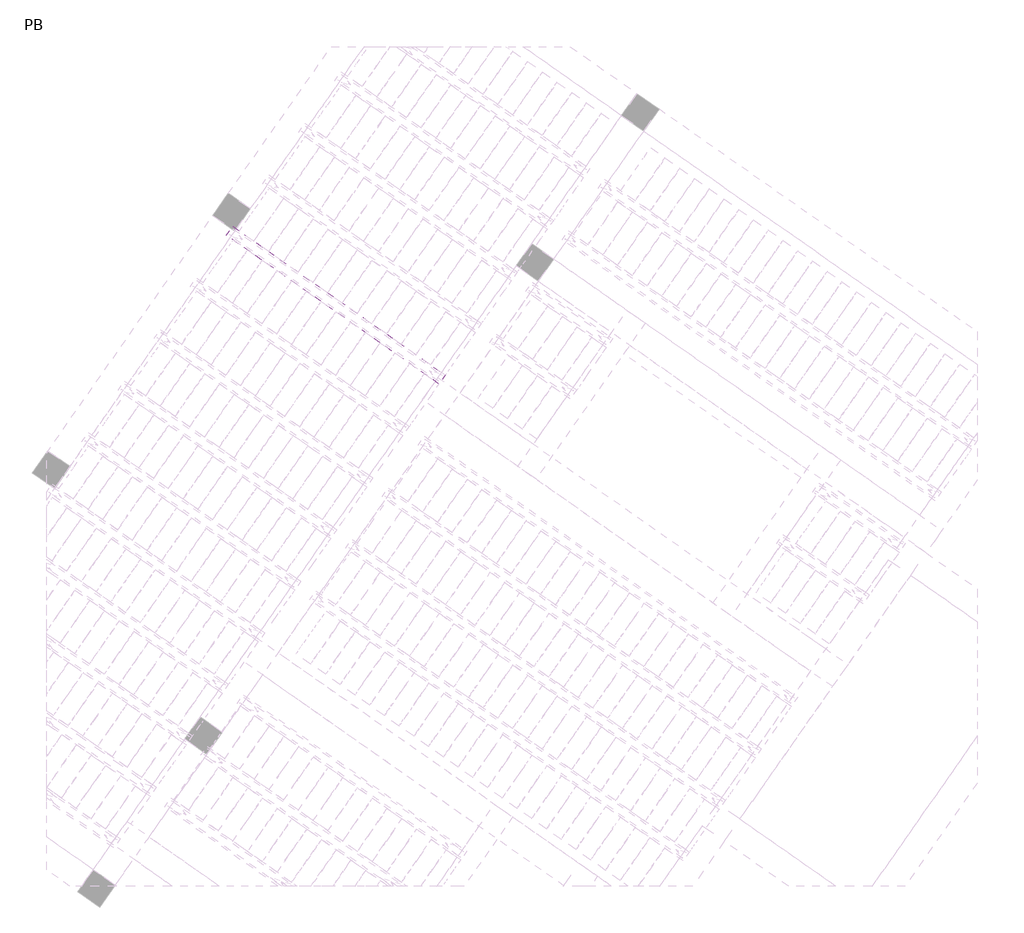
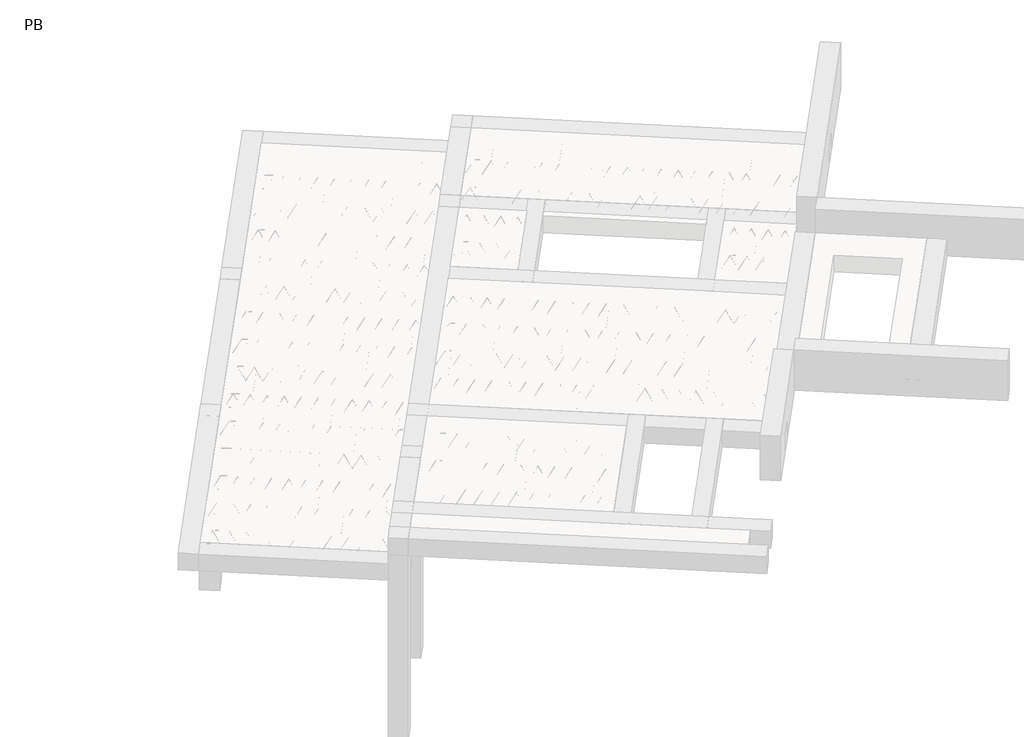
# One storey, part 36 of 56: 2 beams.
"""IFC4 building model written with IfcOpenShell, lengths in millimetres."""

from ifc_helpers import new_model, si_unit, point, frame, origin, origin_2d, place, context, project, spatial, polyline, circle_curve, trimmed, segment, composite_curve, outline, extrude, element, save

model = new_model("IFC4")

# Units and contexts
model_context = context("Model", 3, world=origin())
ifc_project = project(units=[si_unit("LENGTHUNIT", "METRE", prefix="MILLI")], contexts=[model_context])

# Site, building, storey
site = spatial("IfcSite", under=ifc_project)
building = spatial("IfcBuilding", under=site)
storey = spatial("IfcBuildingStorey", under=building, Name="PB", Elevation=95940.0)

# Beams
placement = place(None, origin())
element("IfcBeam", 1, at=placement, inside=storey, context=model_context, shape_type="SweptSolid", body=[
    extrude(outline(polyline([(2399.1140017, 7830.3008427), (2467.9431741, 7928.599088), (4830.7561156, 6274.1396549), (4761.9269432, 6175.8414096), (2399.1140017, 7830.3008427)])), frame((0.0, 0.0, 98760.0), z_axis=(0.0, 0.0, 1.0), x_axis=(1.0, 0.0, 0.0)), (0.0, 0.0, 1.0), 50.0),
    extrude(outline(composite_curve([segment(trimmed(circle_curve(origin_2d(), 2.5), [point((-2.5, 0.0))], [point((2.5, 0.0))], False, "CARTESIAN"), True, "CONTINUOUS"), segment(trimmed(circle_curve(origin_2d(), 2.5), [point((2.5, 0.0))], [point((-2.5, 0.0))], False, "CARTESIAN"), True, "CONTINUOUS")], self_intersect=False)), frame((4756.0331286, 6209.2668931, 98785.0), z_axis=(-0.8191520442696126, 0.5735764363787226, 0.0), x_axis=(0.5735764363787226, 0.8191520442696126, 0.0)), (0.0, 0.0, 1.0), 2836.461997),
    extrude(outline(composite_curve([segment(trimmed(circle_curve(origin_2d(), 2.5), [point((-2.5, 0.0))], [point((2.5000001, 0.0))], False, "CARTESIAN"), True, "CONTINUOUS"), segment(trimmed(circle_curve(origin_2d(), 2.5), [point((2.5000001, 0.0))], [point((-2.5, 0.0))], False, "CARTESIAN"), True, "CONTINUOUS")], self_intersect=False)), frame((4679.8327161, 6306.5708815, 99010.0), z_axis=(-0.8191520442696126, 0.5735764363787226, 0.0), x_axis=(0.5735764363787226, 0.8191520442696126, 0.0)), (0.0, 0.0, 1.0), 2600.0),
    extrude(outline(composite_curve([segment(trimmed(circle_curve(origin_2d(), 2.5), [point((-2.5, 0.0))], [point((2.5, 1e-07))], False, "CARTESIAN"), True, "CONTINUOUS"), segment(trimmed(circle_curve(origin_2d(), 2.5), [point((2.5, 1e-07))], [point((-2.5, 0.0))], False, "CARTESIAN"), True, "CONTINUOUS")], self_intersect=False)), frame((4720.6203677, 6234.0631752, 98785.0), z_axis=(-0.3145304735701046, 0.38933448886848654, 0.8657304643902053), x_axis=(0.7778747638402499, 0.6284193279813057, 0.0)), (0.0, 0.0, 1.0), 259.8961331),
    extrude(outline(composite_curve([segment(trimmed(circle_curve(origin_2d(), 2.5), [point((2.5, -1e-07))], [point((-2.5, 0.0))], False, "CARTESIAN"), True, "CONTINUOUS"), segment(trimmed(circle_curve(origin_2d(), 2.5), [point((-2.5, 0.0))], [point((2.5, -1e-07))], False, "CARTESIAN"), True, "CONTINUOUS")], self_intersect=False)), frame((4515.8323567, 6377.4572843, 98785.0), z_axis=(0.47343050384693375, -0.16240172737369005, 0.8657304643902051), x_axis=(-0.3244721671091268, -0.9458952440791246, 0.0)), (0.0, 0.0, 1.0), 259.8961331),
    extrude(outline(composite_curve([segment(trimmed(circle_curve(origin_2d(), 2.5), [point((-2.5000001, 1e-07))], [point((2.5, 0.0))], False, "CARTESIAN"), True, "CONTINUOUS"), segment(trimmed(circle_curve(origin_2d(), 2.5), [point((2.5, 0.0))], [point((-2.5000001, 1e-07))], False, "CARTESIAN"), True, "CONTINUOUS")], self_intersect=False)), frame((4515.8323567, 6377.4572843, 98785.0), z_axis=(-0.3145304735701046, 0.38933448886848654, 0.8657304643902053), x_axis=(0.7778747638402499, 0.6284193279813057, 0.0)), (0.0, 0.0, 1.0), 259.8961331),
    extrude(outline(composite_curve([segment(trimmed(circle_curve(origin_2d(), 2.5), [point((2.5, 0.0))], [point((-2.5, 0.0))], False, "CARTESIAN"), True, "CONTINUOUS"), segment(trimmed(circle_curve(origin_2d(), 2.5), [point((-2.5, 0.0))], [point((2.5, 0.0))], False, "CARTESIAN"), True, "CONTINUOUS")], self_intersect=False)), frame((4311.0443456, 6520.8513934, 98785.0), z_axis=(0.47343050384693375, -0.16240172737369005, 0.8657304643902051), x_axis=(-0.3244721671091268, -0.9458952440791246, 0.0)), (0.0, 0.0, 1.0), 259.8961331),
    extrude(outline(composite_curve([segment(trimmed(circle_curve(origin_2d(), 2.5), [point((-2.5, 0.0))], [point((2.5, 0.0))], False, "CARTESIAN"), True, "CONTINUOUS"), segment(trimmed(circle_curve(origin_2d(), 2.5), [point((2.5, 0.0))], [point((-2.5, 0.0))], False, "CARTESIAN"), True, "CONTINUOUS")], self_intersect=False)), frame((4311.0443456, 6520.8513934, 98785.0), z_axis=(-0.3145304735701046, 0.38933448886848654, 0.8657304643902053), x_axis=(0.7778747638402499, 0.6284193279813057, 0.0)), (0.0, 0.0, 1.0), 259.8961331),
    extrude(outline(composite_curve([segment(trimmed(circle_curve(origin_2d(), 2.5), [point((2.5, 0.0))], [point((-2.5, 0.0))], False, "CARTESIAN"), True, "CONTINUOUS"), segment(trimmed(circle_curve(origin_2d(), 2.5), [point((-2.5, 0.0))], [point((2.5, 0.0))], False, "CARTESIAN"), True, "CONTINUOUS")], self_intersect=False)), frame((4106.2563345, 6664.2455025, 98785.0), z_axis=(0.47343050384693375, -0.16240172737369005, 0.8657304643902051), x_axis=(-0.3244721671091268, -0.9458952440791246, 0.0)), (0.0, 0.0, 1.0), 259.8961331),
    extrude(outline(composite_curve([segment(trimmed(circle_curve(origin_2d(), 2.5), [point((-2.5, 0.0))], [point((2.5, 0.0))], False, "CARTESIAN"), True, "CONTINUOUS"), segment(trimmed(circle_curve(origin_2d(), 2.5), [point((2.5, 0.0))], [point((-2.5, 0.0))], False, "CARTESIAN"), True, "CONTINUOUS")], self_intersect=False)), frame((4106.2563345, 6664.2455025, 98785.0), z_axis=(-0.3145304735701046, 0.38933448886848654, 0.8657304643902053), x_axis=(0.7778747638402499, 0.6284193279813057, 0.0)), (0.0, 0.0, 1.0), 259.8961331),
    extrude(outline(composite_curve([segment(trimmed(circle_curve(origin_2d(), 2.5), [point((2.5, -1e-07))], [point((-2.5, 0.0))], False, "CARTESIAN"), True, "CONTINUOUS"), segment(trimmed(circle_curve(origin_2d(), 2.5), [point((-2.5, 0.0))], [point((2.5, -1e-07))], False, "CARTESIAN"), True, "CONTINUOUS")], self_intersect=False)), frame((3901.4683235, 6807.6396116, 98785.0), z_axis=(0.47343050384693375, -0.16240172737369005, 0.8657304643902051), x_axis=(-0.3244721671091268, -0.9458952440791246, 0.0)), (0.0, 0.0, 1.0), 259.8961331),
    extrude(outline(composite_curve([segment(trimmed(circle_curve(origin_2d(), 2.5), [point((-2.5, 0.0))], [point((2.5, 0.0))], False, "CARTESIAN"), True, "CONTINUOUS"), segment(trimmed(circle_curve(origin_2d(), 2.5), [point((2.5, 0.0))], [point((-2.5, 0.0))], False, "CARTESIAN"), True, "CONTINUOUS")], self_intersect=False)), frame((3901.4683231, 6807.6396118, 98785.0), z_axis=(-0.3145304735701046, 0.38933448886848654, 0.8657304643902053), x_axis=(0.7778747638402499, 0.6284193279813057, 0.0)), (0.0, 0.0, 1.0), 259.8961331),
    extrude(outline(composite_curve([segment(trimmed(circle_curve(origin_2d(), 2.5), [point((2.5, -1e-07))], [point((-2.5, 0.0))], False, "CARTESIAN"), True, "CONTINUOUS"), segment(trimmed(circle_curve(origin_2d(), 2.5), [point((-2.5, 0.0))], [point((2.5, -1e-07))], False, "CARTESIAN"), True, "CONTINUOUS")], self_intersect=False)), frame((3696.6803121, 6951.0337209, 98785.0), z_axis=(0.47343050384693375, -0.16240172737369005, 0.8657304643902051), x_axis=(-0.3244721671091268, -0.9458952440791246, 0.0)), (0.0, 0.0, 1.0), 259.8961331),
    extrude(outline(composite_curve([segment(trimmed(circle_curve(origin_2d(), 2.5), [point((-2.5000001, 1e-07))], [point((2.5, 0.0))], False, "CARTESIAN"), True, "CONTINUOUS"), segment(trimmed(circle_curve(origin_2d(), 2.5), [point((2.5, 0.0))], [point((-2.5000001, 1e-07))], False, "CARTESIAN"), True, "CONTINUOUS")], self_intersect=False)), frame((3696.6803121, 6951.0337209, 98785.0), z_axis=(-0.3145304735701046, 0.38933448886848654, 0.8657304643902053), x_axis=(0.7778747638402499, 0.6284193279813057, 0.0)), (0.0, 0.0, 1.0), 259.8961331),
    extrude(outline(composite_curve([segment(trimmed(circle_curve(origin_2d(), 2.5), [point((2.5, 0.0))], [point((-2.5, 0.0))], False, "CARTESIAN"), True, "CONTINUOUS"), segment(trimmed(circle_curve(origin_2d(), 2.5), [point((-2.5, 0.0))], [point((2.5, 0.0))], False, "CARTESIAN"), True, "CONTINUOUS")], self_intersect=False)), frame((3491.892301, 7094.42783, 98785.0), z_axis=(0.47343050384693375, -0.16240172737369005, 0.8657304643902051), x_axis=(-0.3244721671091268, -0.9458952440791246, 0.0)), (0.0, 0.0, 1.0), 259.8961331),
    extrude(outline(composite_curve([segment(trimmed(circle_curve(origin_2d(), 2.5), [point((-2.5, 0.0))], [point((2.5, 0.0))], False, "CARTESIAN"), True, "CONTINUOUS"), segment(trimmed(circle_curve(origin_2d(), 2.5), [point((2.5, 0.0))], [point((-2.5, 0.0))], False, "CARTESIAN"), True, "CONTINUOUS")], self_intersect=False)), frame((3491.892301, 7094.42783, 98785.0), z_axis=(-0.3145304735701046, 0.38933448886848654, 0.8657304643902053), x_axis=(0.7778747638402499, 0.6284193279813057, 0.0)), (0.0, 0.0, 1.0), 259.8961331),
    extrude(outline(composite_curve([segment(trimmed(circle_curve(origin_2d(), 2.5), [point((2.5, 0.0))], [point((-2.5, 0.0))], False, "CARTESIAN"), True, "CONTINUOUS"), segment(trimmed(circle_curve(origin_2d(), 2.5), [point((-2.5, 0.0))], [point((2.5, 0.0))], False, "CARTESIAN"), True, "CONTINUOUS")], self_intersect=False)), frame((3287.1042899, 7237.8219391, 98785.0), z_axis=(0.47343050384693375, -0.16240172737369005, 0.8657304643902051), x_axis=(-0.3244721671091268, -0.9458952440791246, 0.0)), (0.0, 0.0, 1.0), 259.8961331),
    extrude(outline(composite_curve([segment(trimmed(circle_curve(origin_2d(), 2.5), [point((-2.5, 0.0))], [point((2.5, 0.0))], False, "CARTESIAN"), True, "CONTINUOUS"), segment(trimmed(circle_curve(origin_2d(), 2.5), [point((2.5, 0.0))], [point((-2.5, 0.0))], False, "CARTESIAN"), True, "CONTINUOUS")], self_intersect=False)), frame((3287.1042899, 7237.8219391, 98785.0), z_axis=(-0.3145304735701046, 0.38933448886848654, 0.8657304643902053), x_axis=(0.7778747638402499, 0.6284193279813057, 0.0)), (0.0, 0.0, 1.0), 259.8961331),
    extrude(outline(composite_curve([segment(trimmed(circle_curve(origin_2d(), 2.5), [point((2.5, -1e-07))], [point((-2.5, 0.0))], False, "CARTESIAN"), True, "CONTINUOUS"), segment(trimmed(circle_curve(origin_2d(), 2.5), [point((-2.5, 0.0))], [point((2.5, -1e-07))], False, "CARTESIAN"), True, "CONTINUOUS")], self_intersect=False)), frame((3082.3162789, 7381.2160482, 98785.0), z_axis=(0.47343050384693375, -0.16240172737369005, 0.8657304643902051), x_axis=(-0.3244721671091268, -0.9458952440791246, 0.0)), (0.0, 0.0, 1.0), 259.8961331),
    extrude(outline(composite_curve([segment(trimmed(circle_curve(origin_2d(), 2.5), [point((-2.5000001, 1e-07))], [point((2.5, 0.0))], False, "CARTESIAN"), True, "CONTINUOUS"), segment(trimmed(circle_curve(origin_2d(), 2.5), [point((2.5, 0.0))], [point((-2.5000001, 1e-07))], False, "CARTESIAN"), True, "CONTINUOUS")], self_intersect=False)), frame((3082.3162789, 7381.2160482, 98785.0), z_axis=(-0.3145304735701046, 0.38933448886848654, 0.8657304643902053), x_axis=(0.7778747638402499, 0.6284193279813057, 0.0)), (0.0, 0.0, 1.0), 259.8961331),
    extrude(outline(composite_curve([segment(trimmed(circle_curve(origin_2d(), 2.5), [point((2.5, 0.0))], [point((-2.5, 0.0))], False, "CARTESIAN"), True, "CONTINUOUS"), segment(trimmed(circle_curve(origin_2d(), 2.5), [point((-2.5, 0.0))], [point((2.5, 0.0))], False, "CARTESIAN"), True, "CONTINUOUS")], self_intersect=False)), frame((2877.5282678, 7524.6101573, 98785.0), z_axis=(0.47343050384693375, -0.16240172737369005, 0.8657304643902051), x_axis=(-0.3244721671091268, -0.9458952440791246, 0.0)), (0.0, 0.0, 1.0), 259.8961331),
    extrude(outline(composite_curve([segment(trimmed(circle_curve(origin_2d(), 2.5), [point((-2.5, 0.0))], [point((2.5, 0.0))], False, "CARTESIAN"), True, "CONTINUOUS"), segment(trimmed(circle_curve(origin_2d(), 2.5), [point((2.5, 0.0))], [point((-2.5, 0.0))], False, "CARTESIAN"), True, "CONTINUOUS")], self_intersect=False)), frame((2877.5282678, 7524.6101573, 98785.0), z_axis=(-0.3145304735701046, 0.38933448886848654, 0.8657304643902053), x_axis=(0.7778747638402499, 0.6284193279813057, 0.0)), (0.0, 0.0, 1.0), 259.8961331),
    extrude(outline(composite_curve([segment(trimmed(circle_curve(origin_2d(), 2.5), [point((2.5, 0.0))], [point((-2.5, 0.0))], False, "CARTESIAN"), True, "CONTINUOUS"), segment(trimmed(circle_curve(origin_2d(), 2.5), [point((-2.5, 0.0))], [point((2.5, 0.0))], False, "CARTESIAN"), True, "CONTINUOUS")], self_intersect=False)), frame((2672.7402567, 7668.0042664, 98785.0), z_axis=(0.47343050384693375, -0.16240172737369005, 0.8657304643902051), x_axis=(-0.3244721671091268, -0.9458952440791246, 0.0)), (0.0, 0.0, 1.0), 259.8961331),
    extrude(outline(composite_curve([segment(trimmed(circle_curve(origin_2d(), 2.5), [point((-2.5, 0.0))], [point((2.5, 0.0))], False, "CARTESIAN"), True, "CONTINUOUS"), segment(trimmed(circle_curve(origin_2d(), 2.5), [point((2.5, 0.0))], [point((-2.5, 0.0))], False, "CARTESIAN"), True, "CONTINUOUS")], self_intersect=False)), frame((2672.7402567, 7668.0042664, 98785.0), z_axis=(-0.3145304735701046, 0.38933448886848654, 0.8657304643902053), x_axis=(0.7778747638402499, 0.6284193279813057, 0.0)), (0.0, 0.0, 1.0), 259.8961331),
    extrude(outline(composite_curve([segment(trimmed(circle_curve(origin_2d(), 2.5), [point((2.5, -1e-07))], [point((-2.5, 0.0))], False, "CARTESIAN"), True, "CONTINUOUS"), segment(trimmed(circle_curve(origin_2d(), 2.5), [point((-2.5, 0.0))], [point((2.5, -1e-07))], False, "CARTESIAN"), True, "CONTINUOUS")], self_intersect=False)), frame((2467.9522457, 7811.3983755, 98785.0), z_axis=(0.47343050384693375, -0.16240172737369005, 0.8657304643902051), x_axis=(-0.3244721671091268, -0.9458952440791246, 0.0)), (0.0, 0.0, 1.0), 259.8961331),
    extrude(outline(composite_curve([segment(trimmed(circle_curve(origin_2d(), 2.5), [point((-2.5, 0.0))], [point((2.5, 0.0))], False, "CARTESIAN"), True, "CONTINUOUS"), segment(trimmed(circle_curve(origin_2d(), 2.5), [point((2.5, 0.0))], [point((-2.5, 0.0))], False, "CARTESIAN"), True, "CONTINUOUS")], self_intersect=False)), frame((4797.330632, 6268.2458403, 98785.0), z_axis=(-0.8191520442696126, 0.5735764363787226, 0.0), x_axis=(0.5735764363787226, 0.8191520442696126, 0.0)), (0.0, 0.0, 1.0), 2836.461997),
    extrude(outline(composite_curve([segment(trimmed(circle_curve(origin_2d(), 2.5), [point((-2.5, 0.0))], [point((2.5, 0.0))], False, "CARTESIAN"), True, "CONTINUOUS"), segment(trimmed(circle_curve(origin_2d(), 2.5), [point((2.5, 0.0))], [point((-2.5, 0.0))], False, "CARTESIAN"), True, "CONTINUOUS")], self_intersect=False)), frame((4761.9178711, 6293.0421224, 98785.0), z_axis=(-0.47343050384693375, 0.16240172737369005, 0.8657304643902051), x_axis=(0.3244721671091268, 0.9458952440791246, 0.0)), (0.0, 0.0, 1.0), 259.8961331),
    extrude(outline(composite_curve([segment(trimmed(circle_curve(origin_2d(), 2.5), [point((2.5, 0.0))], [point((-2.5, 0.0))], False, "CARTESIAN"), True, "CONTINUOUS"), segment(trimmed(circle_curve(origin_2d(), 2.5), [point((-2.5, 0.0))], [point((2.5, 0.0))], False, "CARTESIAN"), True, "CONTINUOUS")], self_intersect=False)), frame((4557.1298601, 6436.4362315, 98785.0), z_axis=(0.3145304735701046, -0.38933448886848654, 0.8657304643902053), x_axis=(-0.7778747638402499, -0.6284193279813057, 0.0)), (0.0, 0.0, 1.0), 259.8961331),
    extrude(outline(composite_curve([segment(trimmed(circle_curve(origin_2d(), 2.5), [point((-2.5, 0.0))], [point((2.5, 0.0))], False, "CARTESIAN"), True, "CONTINUOUS"), segment(trimmed(circle_curve(origin_2d(), 2.5), [point((2.5, 0.0))], [point((-2.5, 0.0))], False, "CARTESIAN"), True, "CONTINUOUS")], self_intersect=False)), frame((4557.1298601, 6436.4362315, 98785.0), z_axis=(-0.47343050384693375, 0.16240172737369005, 0.8657304643902051), x_axis=(0.3244721671091268, 0.9458952440791246, 0.0)), (0.0, 0.0, 1.0), 259.8961331),
    extrude(outline(composite_curve([segment(trimmed(circle_curve(origin_2d(), 2.5), [point((2.5, 0.0))], [point((-2.5, 0.0))], False, "CARTESIAN"), True, "CONTINUOUS"), segment(trimmed(circle_curve(origin_2d(), 2.5), [point((-2.5, 0.0))], [point((2.5, 0.0))], False, "CARTESIAN"), True, "CONTINUOUS")], self_intersect=False)), frame((4352.341849, 6579.8303406, 98785.0), z_axis=(0.3145304735701046, -0.38933448886848654, 0.8657304643902053), x_axis=(-0.7778747638402499, -0.6284193279813057, 0.0)), (0.0, 0.0, 1.0), 259.8961331),
    extrude(outline(composite_curve([segment(trimmed(circle_curve(origin_2d(), 2.5), [point((-2.5, 0.0))], [point((2.5, 0.0))], False, "CARTESIAN"), True, "CONTINUOUS"), segment(trimmed(circle_curve(origin_2d(), 2.5), [point((2.5, 0.0))], [point((-2.5, 0.0))], False, "CARTESIAN"), True, "CONTINUOUS")], self_intersect=False)), frame((4352.341849, 6579.8303406, 98785.0), z_axis=(-0.47343050384693375, 0.16240172737369005, 0.8657304643902051), x_axis=(0.3244721671091268, 0.9458952440791246, 0.0)), (0.0, 0.0, 1.0), 259.8961331),
    extrude(outline(composite_curve([segment(trimmed(circle_curve(origin_2d(), 2.5), [point((2.5, 0.0))], [point((-2.5, 0.0))], False, "CARTESIAN"), True, "CONTINUOUS"), segment(trimmed(circle_curve(origin_2d(), 2.5), [point((-2.5, 0.0))], [point((2.5, 0.0))], False, "CARTESIAN"), True, "CONTINUOUS")], self_intersect=False)), frame((4147.5538379, 6723.2244497, 98785.0), z_axis=(0.3145304735701046, -0.38933448886848654, 0.8657304643902053), x_axis=(-0.7778747638402499, -0.6284193279813057, 0.0)), (0.0, 0.0, 1.0), 259.8961331),
    extrude(outline(composite_curve([segment(trimmed(circle_curve(origin_2d(), 2.5), [point((-2.5, 0.0))], [point((2.5, -1e-07))], False, "CARTESIAN"), True, "CONTINUOUS"), segment(trimmed(circle_curve(origin_2d(), 2.5), [point((2.5, -1e-07))], [point((-2.5, 0.0))], False, "CARTESIAN"), True, "CONTINUOUS")], self_intersect=False)), frame((4147.5538379, 6723.2244497, 98785.0), z_axis=(-0.47343050384693375, 0.16240172737369005, 0.8657304643902051), x_axis=(0.3244721671091268, 0.9458952440791246, 0.0)), (0.0, 0.0, 1.0), 259.8961331),
    extrude(outline(composite_curve([segment(trimmed(circle_curve(origin_2d(), 2.5), [point((2.5, 0.0))], [point((-2.5, 0.0))], False, "CARTESIAN"), True, "CONTINUOUS"), segment(trimmed(circle_curve(origin_2d(), 2.5), [point((-2.5, 0.0))], [point((2.5, 0.0))], False, "CARTESIAN"), True, "CONTINUOUS")], self_intersect=False)), frame((3942.7658269, 6866.6185588, 98785.0), z_axis=(0.3145304735701046, -0.38933448886848654, 0.8657304643902053), x_axis=(-0.7778747638402499, -0.6284193279813057, 0.0)), (0.0, 0.0, 1.0), 259.8961331),
    extrude(outline(composite_curve([segment(trimmed(circle_curve(origin_2d(), 2.5), [point((-2.5, 0.0))], [point((2.5, -1e-07))], False, "CARTESIAN"), True, "CONTINUOUS"), segment(trimmed(circle_curve(origin_2d(), 2.5), [point((2.5, -1e-07))], [point((-2.5, 0.0))], False, "CARTESIAN"), True, "CONTINUOUS")], self_intersect=False)), frame((3942.7658265, 6866.618559, 98785.0), z_axis=(-0.47343050384693375, 0.16240172737369005, 0.8657304643902051), x_axis=(0.3244721671091268, 0.9458952440791246, 0.0)), (0.0, 0.0, 1.0), 259.8961331),
    extrude(outline(composite_curve([segment(trimmed(circle_curve(origin_2d(), 2.5), [point((2.5, 0.0))], [point((-2.5, 0.0))], False, "CARTESIAN"), True, "CONTINUOUS"), segment(trimmed(circle_curve(origin_2d(), 2.5), [point((-2.5, 0.0))], [point((2.5, 0.0))], False, "CARTESIAN"), True, "CONTINUOUS")], self_intersect=False)), frame((3737.9778155, 7010.0126681, 98785.0), z_axis=(0.3145304735701046, -0.38933448886848654, 0.8657304643902053), x_axis=(-0.7778747638402499, -0.6284193279813057, 0.0)), (0.0, 0.0, 1.0), 259.8961331),
    extrude(outline(composite_curve([segment(trimmed(circle_curve(origin_2d(), 2.5), [point((-2.5, 0.0))], [point((2.5, 0.0))], False, "CARTESIAN"), True, "CONTINUOUS"), segment(trimmed(circle_curve(origin_2d(), 2.5), [point((2.5, 0.0))], [point((-2.5, 0.0))], False, "CARTESIAN"), True, "CONTINUOUS")], self_intersect=False)), frame((3737.9778155, 7010.0126681, 98785.0), z_axis=(-0.47343050384693375, 0.16240172737369005, 0.8657304643902051), x_axis=(0.3244721671091268, 0.9458952440791246, 0.0)), (0.0, 0.0, 1.0), 259.8961331),
    extrude(outline(composite_curve([segment(trimmed(circle_curve(origin_2d(), 2.5), [point((2.5, 0.0))], [point((-2.5, 0.0))], False, "CARTESIAN"), True, "CONTINUOUS"), segment(trimmed(circle_curve(origin_2d(), 2.5), [point((-2.5, 0.0))], [point((2.5, 0.0))], False, "CARTESIAN"), True, "CONTINUOUS")], self_intersect=False)), frame((3533.1898044, 7153.4067772, 98785.0), z_axis=(0.3145304735701046, -0.38933448886848654, 0.8657304643902053), x_axis=(-0.7778747638402499, -0.6284193279813057, 0.0)), (0.0, 0.0, 1.0), 259.8961331),
    extrude(outline(composite_curve([segment(trimmed(circle_curve(origin_2d(), 2.5), [point((-2.5, 0.0))], [point((2.5, 0.0))], False, "CARTESIAN"), True, "CONTINUOUS"), segment(trimmed(circle_curve(origin_2d(), 2.5), [point((2.5, 0.0))], [point((-2.5, 0.0))], False, "CARTESIAN"), True, "CONTINUOUS")], self_intersect=False)), frame((3533.1898044, 7153.4067772, 98785.0), z_axis=(-0.47343050384693375, 0.16240172737369005, 0.8657304643902051), x_axis=(0.3244721671091268, 0.9458952440791246, 0.0)), (0.0, 0.0, 1.0), 259.8961331),
    extrude(outline(composite_curve([segment(trimmed(circle_curve(origin_2d(), 2.5), [point((2.5, 0.0))], [point((-2.5000001, 1e-07))], False, "CARTESIAN"), True, "CONTINUOUS"), segment(trimmed(circle_curve(origin_2d(), 2.5), [point((-2.5000001, 1e-07))], [point((2.5, 0.0))], False, "CARTESIAN"), True, "CONTINUOUS")], self_intersect=False)), frame((3328.4017933, 7296.8008863, 98785.0), z_axis=(0.3145304735701046, -0.38933448886848654, 0.8657304643902053), x_axis=(-0.7778747638402499, -0.6284193279813057, 0.0)), (0.0, 0.0, 1.0), 259.8961331),
    extrude(outline(composite_curve([segment(trimmed(circle_curve(origin_2d(), 2.5), [point((-2.5, 0.0))], [point((2.5, -1e-07))], False, "CARTESIAN"), True, "CONTINUOUS"), segment(trimmed(circle_curve(origin_2d(), 2.5), [point((2.5, -1e-07))], [point((-2.5, 0.0))], False, "CARTESIAN"), True, "CONTINUOUS")], self_intersect=False)), frame((3328.4017933, 7296.8008863, 98785.0), z_axis=(-0.47343050384693375, 0.16240172737369005, 0.8657304643902051), x_axis=(0.3244721671091268, 0.9458952440791246, 0.0)), (0.0, 0.0, 1.0), 259.8961331),
    extrude(outline(composite_curve([segment(trimmed(circle_curve(origin_2d(), 2.5), [point((2.5, 0.0))], [point((-2.5, 0.0))], False, "CARTESIAN"), True, "CONTINUOUS"), segment(trimmed(circle_curve(origin_2d(), 2.5), [point((-2.5, 0.0))], [point((2.5, 0.0))], False, "CARTESIAN"), True, "CONTINUOUS")], self_intersect=False)), frame((3123.6137823, 7440.1949954, 98785.0), z_axis=(0.3145304735701046, -0.38933448886848654, 0.8657304643902053), x_axis=(-0.7778747638402499, -0.6284193279813057, 0.0)), (0.0, 0.0, 1.0), 259.8961331),
    extrude(outline(composite_curve([segment(trimmed(circle_curve(origin_2d(), 2.5), [point((-2.5, 0.0))], [point((2.5, 0.0))], False, "CARTESIAN"), True, "CONTINUOUS"), segment(trimmed(circle_curve(origin_2d(), 2.5), [point((2.5, 0.0))], [point((-2.5, 0.0))], False, "CARTESIAN"), True, "CONTINUOUS")], self_intersect=False)), frame((3123.6137823, 7440.1949954, 98785.0), z_axis=(-0.47343050384693375, 0.16240172737369005, 0.8657304643902051), x_axis=(0.3244721671091268, 0.9458952440791246, 0.0)), (0.0, 0.0, 1.0), 259.8961331),
    extrude(outline(composite_curve([segment(trimmed(circle_curve(origin_2d(), 2.5), [point((2.5, 0.0))], [point((-2.5, 0.0))], False, "CARTESIAN"), True, "CONTINUOUS"), segment(trimmed(circle_curve(origin_2d(), 2.5), [point((-2.5, 0.0))], [point((2.5, 0.0))], False, "CARTESIAN"), True, "CONTINUOUS")], self_intersect=False)), frame((2918.8257712, 7583.5891045, 98785.0), z_axis=(0.3145304735701046, -0.38933448886848654, 0.8657304643902053), x_axis=(-0.7778747638402499, -0.6284193279813057, 0.0)), (0.0, 0.0, 1.0), 259.8961331),
    extrude(outline(composite_curve([segment(trimmed(circle_curve(origin_2d(), 2.5), [point((-2.5, 0.0))], [point((2.5, 0.0))], False, "CARTESIAN"), True, "CONTINUOUS"), segment(trimmed(circle_curve(origin_2d(), 2.5), [point((2.5, 0.0))], [point((-2.5, 0.0))], False, "CARTESIAN"), True, "CONTINUOUS")], self_intersect=False)), frame((2918.8257712, 7583.5891045, 98785.0), z_axis=(-0.47343050384693375, 0.16240172737369005, 0.8657304643902051), x_axis=(0.3244721671091268, 0.9458952440791246, 0.0)), (0.0, 0.0, 1.0), 259.8961331),
    extrude(outline(composite_curve([segment(trimmed(circle_curve(origin_2d(), 2.5), [point((2.5, 0.0))], [point((-2.5, 0.0))], False, "CARTESIAN"), True, "CONTINUOUS"), segment(trimmed(circle_curve(origin_2d(), 2.5), [point((-2.5, 0.0))], [point((2.5, 0.0))], False, "CARTESIAN"), True, "CONTINUOUS")], self_intersect=False)), frame((2714.0377601, 7726.9832136, 98785.0), z_axis=(0.3145304735701046, -0.38933448886848654, 0.8657304643902053), x_axis=(-0.7778747638402499, -0.6284193279813057, 0.0)), (0.0, 0.0, 1.0), 259.8961331),
    extrude(outline(composite_curve([segment(trimmed(circle_curve(origin_2d(), 2.5), [point((-2.5, 0.0))], [point((2.5, -1e-07))], False, "CARTESIAN"), True, "CONTINUOUS"), segment(trimmed(circle_curve(origin_2d(), 2.5), [point((2.5, -1e-07))], [point((-2.5, 0.0))], False, "CARTESIAN"), True, "CONTINUOUS")], self_intersect=False)), frame((2714.0377601, 7726.9832136, 98785.0), z_axis=(-0.47343050384693375, 0.16240172737369005, 0.8657304643902051), x_axis=(0.3244721671091268, 0.9458952440791246, 0.0)), (0.0, 0.0, 1.0), 259.8961331),
    extrude(outline(composite_curve([segment(trimmed(circle_curve(origin_2d(), 2.5), [point((2.5, 0.0))], [point((-2.5, 0.0))], False, "CARTESIAN"), True, "CONTINUOUS"), segment(trimmed(circle_curve(origin_2d(), 2.5), [point((-2.5, 0.0))], [point((2.5, 0.0))], False, "CARTESIAN"), True, "CONTINUOUS")], self_intersect=False)), frame((2509.2497491, 7870.3773227, 98785.0), z_axis=(0.3145304735701046, -0.38933448886848654, 0.8657304643902053), x_axis=(-0.7778747638402499, -0.6284193279813057, 0.0)), (0.0, 0.0, 1.0), 259.8961331),
])
element("IfcBeam", 2, at=placement, inside=storey, context=model_context, shape_type="SweptSolid", body=[
    extrude(outline(polyline([(4529.9896109, 5495.9112117), (4598.8187833, 5594.2094571), (8748.2777264, 2688.7270254), (8679.4485541, 2590.4287801), (4529.9896109, 5495.9112117)])), frame((0.0, 0.0, 99220.0), z_axis=(0.0, 0.0, 1.0), x_axis=(1.0, 0.0, 0.0)), (0.0, 0.0, 1.0), 50.0),
])

save(model, "model.ifc")
